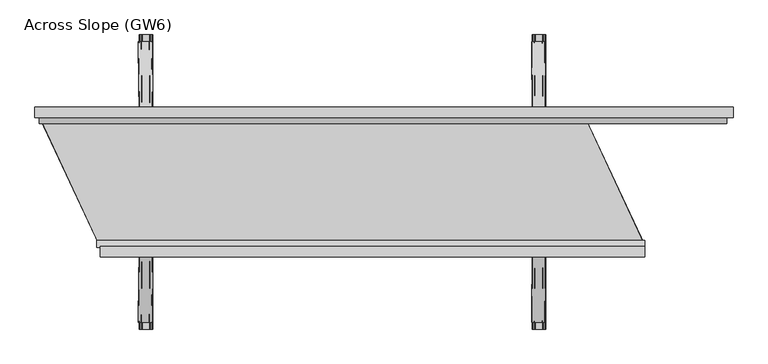
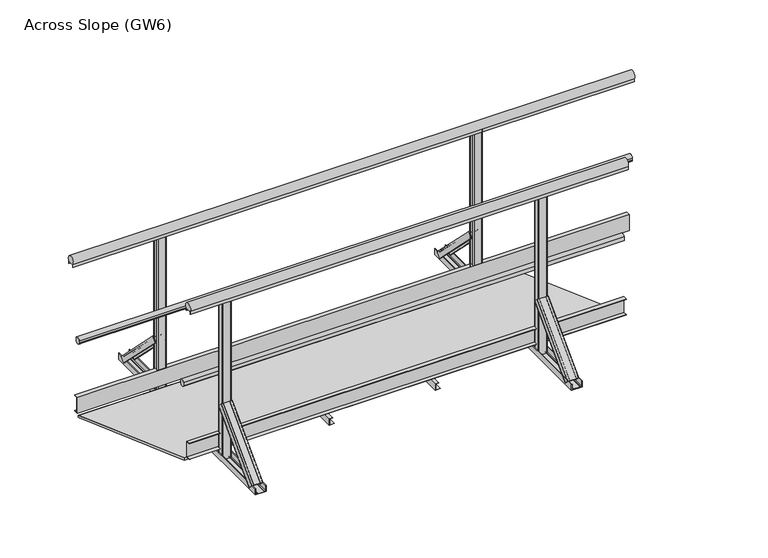
"""IFC4 building model written with IfcOpenShell, lengths in millimetres: proxy geometry, Across Slope (GW6)."""

from ifc_helpers import new_model, si_unit, point, frame, frame_2d, origin, origin_with_axes, place, context, project, spatial, polyline, circle_curve, trimmed, segment, composite_curve, outline, extrude, source, transform, mapped, element, save
from ifc_brep_helpers import plane_surface, extruded_surface, advanced_brep


def across_slope_gw6_5d8b17d4(model_context):
    return source(origin(), model_context, "Body", "SolidModel", [
        extrude(outline(polyline([(-34.5, 63.0), (-34.5, 66.0), (-12.5, 66.0), (-12.5, 160.0), (-34.5, 160.0), (-34.5, 163.0), (-9.5, 163.0), (-9.5, 63.0), (-34.5, 63.0)])), frame((288.6034865, 0.0, 0.0), z_axis=(1.0, 0.0, 0.0), x_axis=(0.0, 1.0, 0.0)), (0.0, 0.0, 1.0), 2582.9381096),
        extrude(outline(composite_curve([segment(polyline([(-10.5, 1001.43534), (-10.5, 983.0), (-11.5, 983.0), (-11.5, 998.0), (-51.5, 998.0), (-51.5, 983.0), (-52.5, 983.0), (-52.5, 1001.43534)]), True, "CONTINUOUS"), segment(trimmed(circle_curve(frame_2d((-31.5, 1015.0)), 25.0), [point((-52.5, 1001.43534))], [point((-10.5, 1001.43534))], False, "CARTESIAN"), True, "CONTINUOUS")], self_intersect=False)), frame((285.0, 0.0, 0.0), z_axis=(1.0, 0.0, 0.0), x_axis=(0.0, 1.0, 0.0)), (0.0, 0.0, 1.0), 2587.9381096),
        extrude(outline(composite_curve([segment(trimmed(circle_curve(frame_2d((3.212495, 528.0)), 20.0), [point((21.8, 520.617273))], [point((-12.5, 515.6259343))], False, "CARTESIAN"), True, "CONTINUOUS"), segment(polyline([(-12.5, 515.6259343), (-12.5, 540.3740657)]), True, "CONTINUOUS"), segment(trimmed(circle_curve(frame_2d((3.212495, 528.0)), 20.0), [point((-12.5, 540.3740657))], [point((21.8, 535.382727))], False, "CARTESIAN"), True, "CONTINUOUS"), segment(polyline([(21.8, 535.382727), (17.8, 535.382727), (17.8, 520.617273), (21.8, 520.617273)]), True, "CONTINUOUS")], self_intersect=False)), frame((270.0, 0.0, 0.0), z_axis=(1.0, 0.0, 0.0), x_axis=(0.0, 1.0, 0.0)), (0.0, 0.0, 1.0), 2602.9381096),
        extrude(outline(polyline([(634.5, 63.0), (609.5, 63.0), (609.5, 163.0), (634.5, 163.0), (634.5, 160.0), (612.5, 160.0), (612.5, 66.0), (634.5, 66.0), (634.5, 63.0)])), frame((0.0, 0.0, 0.0), z_axis=(1.0, 0.0, 0.0), x_axis=(0.0, 1.0, 0.0)), (0.0, 0.0, 1.0), 3262.9381096),
        extrude(outline(composite_curve([segment(polyline([(578.2, 520.617273), (582.2, 520.617273), (582.2, 535.382727), (578.2, 535.382727)]), True, "CONTINUOUS"), segment(trimmed(circle_curve(frame_2d((596.787505, 528.0)), 20.0), [point((578.2, 535.382727))], [point((612.5, 540.3740657))], False, "CARTESIAN"), True, "CONTINUOUS"), segment(polyline([(612.5, 540.3740657), (612.5, 515.6259343)]), True, "CONTINUOUS"), segment(trimmed(circle_curve(frame_2d((596.787505, 528.0)), 20.0), [point((612.5, 515.6259343))], [point((578.2, 520.617273))], False, "CARTESIAN"), True, "CONTINUOUS")], self_intersect=False)), frame((-5.0, 0.0, 0.0), z_axis=(1.0, 0.0, 0.0), x_axis=(0.0, 1.0, 0.0)), (0.0, 0.0, 1.0), 3267.9381096),
        extrude(outline(composite_curve([segment(polyline([(652.5, 1001.43534), (652.5, 983.0), (651.5, 983.0), (651.5, 998.0), (611.5, 998.0), (611.5, 983.0), (610.5, 983.0), (610.5, 1001.43534)]), True, "CONTINUOUS"), segment(trimmed(circle_curve(frame_2d((631.5, 1015.0)), 25.0), [point((610.5, 1001.43534))], [point((652.5, 1001.43534))], False, "CARTESIAN"), True, "CONTINUOUS")], self_intersect=False)), frame((-25.0, 0.0, 0.0), z_axis=(1.0, 0.0, 0.0), x_axis=(0.0, 1.0, 0.0)), (0.0, 0.0, 1.0), 3317.9381096),
        extrude(outline(polyline([(0.0, 1764.292073), (2.0, 1764.292073), (2.0, 1736.292073), (38.0, 1736.292073), (38.0, 1754.292073), (40.0, 1754.292073), (40.0, 1734.292073), (0.0, 1734.292073), (0.0, 1764.292073)])), frame((0.0, -50.0, 0.0), z_axis=(0.0, 1.0, 0.0), x_axis=(0.0, 0.0, 1.0)), (0.0, 0.0, 1.0), 700.0),
        extrude(outline(polyline([(0.0, 1138.6460365), (2.0, 1138.6460365), (2.0, 1110.6460365), (38.0, 1110.6460365), (38.0, 1128.6460365), (40.0, 1128.6460365), (40.0, 1108.6460365), (0.0, 1108.6460365), (0.0, 1138.6460365)])), frame((0.0, -50.0, 0.0), z_axis=(0.0, 1.0, 0.0), x_axis=(0.0, 0.0, 1.0)), (0.0, 0.0, 1.0), 700.0),
        advanced_brep(
        [(2399.9381096, -368.6980515, 38.0), (2334.9381096, -368.6980515, 38.0), (2334.9381096, -342.888654, 12.1906025), (2337.9381096, -342.888654, 12.1906025), (2337.9381096, -366.5767312, 35.8786797), (2347.9381096, -366.5767312, 35.8786797), (2347.9381096, -364.8089642, 34.1109127), (2348.9381096, -364.8089642, 34.1109127), (2348.9381096, -366.5767312, 35.8786797), (2385.9381096, -366.5767312, 35.8786797), (2385.9381096, -364.8089642, 34.1109127), (2386.9381096, -364.8089642, 34.1109127), (2386.9381096, -366.5767312, 35.8786797), (2396.9381096, -366.5767312, 35.8786797), (2396.9381096, -342.888654, 12.1906025), (2399.9381096, -342.888654, 12.1906025), (2402.9381096, -50.5, 356.1980516), (2402.9381096, -24.6906025, 330.3886541), (2399.9381096, -24.6906025, 330.3886541), (2399.9381096, -48.3786797, 354.0767312), (2389.9381096, -48.3786797, 354.0767312), (2389.9381096, -46.6109127, 352.3089643), (2388.9381096, -46.6109127, 352.3089643), (2388.9381096, -48.3786797, 354.0767312), (2351.9381096, -48.3786797, 354.0767312), (2351.9381096, -46.6109127, 352.3089643), (2350.9381096, -46.6109127, 352.3089643), (2350.9381096, -48.3786797, 354.0767312), (2340.9381096, -48.3786797, 354.0767312), (2340.9381096, -24.6906025, 330.3886541), (2337.9381096, -24.6906025, 330.3886541), (2337.9381096, -50.5, 356.1980516)],
        [
            (0, 1),
            (1, 2),
            (2, 3, circle_curve(frame((2336.4381096, -342.888654, 12.1906025), z_axis=(0.0, -0.7071067811865506, -0.7071067811865446), x_axis=(0.0, -0.7071067811865446, 0.7071067811865506)), 1.5)),
            (3, 4),
            (4, 5),
            (5, 6),
            (6, 7, circle_curve(frame((2348.4381096, -364.8089642, 34.1109127), z_axis=(0.0, -0.7071067811865506, -0.7071067811865446), x_axis=(0.0, -0.7071067811865446, 0.7071067811865506)), 0.5)),
            (7, 8),
            (8, 9),
            (9, 10),
            (10, 11, circle_curve(frame((2386.4381096, -364.8089642, 34.1109127), z_axis=(0.0, -0.7071067811865506, -0.7071067811865446), x_axis=(0.0, -0.7071067811865446, 0.7071067811865506)), 0.5)),
            (11, 12),
            (12, 13),
            (13, 14),
            (14, 15, circle_curve(frame((2398.4381096, -342.888654, 12.1906025), z_axis=(0.0, -0.7071067811865506, -0.7071067811865446), x_axis=(0.0, -0.7071067811865446, 0.7071067811865506)), 1.5)),
            (15, 0),
            (16, 17),
            (17, 18, circle_curve(frame((2401.4381096, -24.6906025, 330.3886541), z_axis=(0.0, 0.7071067811865506, 0.7071067811865446), x_axis=(0.0, -0.7071067811865446, 0.7071067811865506)), 1.5)),
            (18, 19),
            (19, 20),
            (20, 21),
            (21, 22, circle_curve(frame((2389.4381096, -46.6109127, 352.3089643), z_axis=(0.0, 0.7071067811865506, 0.7071067811865446), x_axis=(0.0, -0.7071067811865446, 0.7071067811865506)), 0.5)),
            (22, 23),
            (23, 24),
            (24, 25),
            (25, 26, circle_curve(frame((2351.4381096, -46.6109127, 352.3089643), z_axis=(0.0, 0.7071067811865506, 0.7071067811865446), x_axis=(0.0, -0.7071067811865446, 0.7071067811865506)), 0.5)),
            (26, 27),
            (27, 28),
            (28, 29),
            (29, 30, circle_curve(frame((2339.4381096, -24.6906025, 330.3886541), z_axis=(0.0, 0.7071067811865506, 0.7071067811865446), x_axis=(0.0, -0.7071067811865446, 0.7071067811865506)), 1.5)),
            (30, 31),
            (31, 16),
            (16, 0),
            (15, 17),
            (14, 18),
            (13, 19),
            (12, 20),
            (11, 21),
            (10, 22),
            (9, 23),
            (8, 24),
            (7, 25),
            (6, 26),
            (5, 27),
            (4, 28),
            (3, 29),
            (2, 30),
            (1, 31),
        ],
        [
            plane_surface(frame((2367.4381096, -360.4779352, 29.7798837), z_axis=(0.0, -0.7071067811865502, -0.7071067811865449), x_axis=(0.0, 0.7071067811865449, -0.7071067811865502))),
            plane_surface(frame((2370.4381096, -42.2798837, 347.9779352), z_axis=(0.0, 0.7071067811865505, 0.7071067811865447), x_axis=(0.0, 0.7071067811865447, -0.7071067811865505))),
            plane_surface(frame((2402.9381096, -37.5953012, 343.2933528), z_axis=(0.9999777785184913, -0.004713940454838276, -0.004713940454838116), x_axis=(0.0, 0.7071067811865449, -0.7071067811865502))),
            extruded_surface(trimmed(circle_curve(frame((2398.4381096, -342.888654, 12.1906025), z_axis=(0.0, 0.7071067811865506, 0.7071067811865446), x_axis=(0.0, -0.7071067811865446, 0.7071067811865506)), 1.5), [point((2399.9381096, -342.888654, 12.1906025))], [point((2396.9381096, -342.888654, 12.1906025))], True, "CARTESIAN"), (3.0, 318.19805149999996, 318.1980516), 450.00999991159404),
            plane_surface(frame((2399.9381096, -36.5346411, 342.2326926), z_axis=(-0.9999777785184911, 0.004713940454837886, 0.00471394045483772), x_axis=(0.0, -0.7071067811865445, 0.7071067811865506))),
            plane_surface(frame((2394.9381096, -48.3786797, 354.0767312), z_axis=(0.0, 0.7071067811865455, -0.7071067811865496), x_axis=(-1.0, 0.0, 0.0))),
            plane_surface(frame((2389.9381096, -47.4947962, 353.1928478), z_axis=(0.9999777785184913, -0.004713940454838199, -0.0047139404548380325), x_axis=(0.0, 0.7071067811865445, -0.7071067811865507))),
            extruded_surface(trimmed(circle_curve(frame((2386.4381096, -364.8089642, 34.1109127), z_axis=(0.0, 0.7071067811865506, 0.7071067811865446), x_axis=(0.0, -0.7071067811865446, 0.7071067811865506)), 0.5), [point((2386.9381096, -364.8089642, 34.1109127))], [point((2385.9381096, -364.8089642, 34.1109127))], True, "CARTESIAN"), (3.0, 318.1980515, 318.1980516), 450.0099999115941),
            plane_surface(frame((2388.9381096, -47.4947962, 353.1928478), z_axis=(-0.9999777785184912, 0.004713940454838169, 0.0047139404548381045), x_axis=(0.0, -0.7071067811865521, 0.707106781186543))),
            plane_surface(frame((2370.4381096, -48.3786797, 354.0767312), z_axis=(0.0, 0.7071067811865461, -0.7071067811865491), x_axis=(-1.0, 0.0, 0.0))),
            plane_surface(frame((2351.9381096, -47.4947962, 353.1928478), z_axis=(0.9999777785184911, -0.004713940454838164, -0.004713940454837987), x_axis=(0.0, 0.7071067811865436, -0.7071067811865515))),
            extruded_surface(trimmed(circle_curve(frame((2348.4381096, -364.8089642, 34.1109127), z_axis=(0.0, 0.7071067811865506, 0.7071067811865446), x_axis=(0.0, -0.7071067811865446, 0.7071067811865506)), 0.5), [point((2348.9381096, -364.8089642, 34.1109127))], [point((2347.9381096, -364.8089642, 34.1109127))], True, "CARTESIAN"), (3.0, 318.1980515, 318.1980516), 450.0099999115941),
            plane_surface(frame((2350.9381096, -47.4947962, 353.1928478), z_axis=(-0.9999777785184913, 0.004713940454838203, 0.004713940454838003), x_axis=(0.0, -0.7071067811865419, 0.7071067811865532))),
            plane_surface(frame((2345.9381096, -48.3786797, 354.0767312), z_axis=(0.0, 0.7071067811865461, -0.7071067811865491), x_axis=(-1.0, 0.0, 0.0))),
            plane_surface(frame((2340.9381096, -36.5346411, 342.2326926), z_axis=(0.9999777785184911, -0.004713940454838192, -0.004713940454838038), x_axis=(0.0, 0.7071067811865454, -0.7071067811865497))),
            extruded_surface(trimmed(circle_curve(frame((2336.4381096, -342.888654, 12.1906025), z_axis=(0.0, 0.7071067811865506, 0.7071067811865446), x_axis=(0.0, -0.7071067811865446, 0.7071067811865506)), 1.5), [point((2337.9381096, -342.888654, 12.1906025))], [point((2334.9381096, -342.888654, 12.1906025))], True, "CARTESIAN"), (3.0, 318.19805149999996, 318.1980516), 450.00999991159404),
            plane_surface(frame((2337.9381096, -37.5953012, 343.2933528), z_axis=(-0.9999777785184911, 0.00471394045483825, 0.004713940454838091), x_axis=(0.0, -0.7071067811865449, 0.7071067811865501))),
            plane_surface(frame((2370.4381096, -50.5, 356.1980516), z_axis=(0.0, -0.7071067811865455, 0.7071067811865497), x_axis=(1.0, 0.0, 0.0))),
        ],
        [
            (0, [[1, 2, 3, 4, 5, 6, 7, 8, 9, 10, 11, 12, 13, 14, 15, 16]]),
            (1, [[17, 18, 19, 20, 21, 22, 23, 24, 25, 26, 27, 28, 29, 30, 31, 32]]),
            (2, [[33, -16, 34, -17]]),
            (3, [[-34, -15, 35, -18]]),
            (4, [[-35, -14, 36, -19]]),
            (5, [[-36, -13, 37, -20]]),
            (6, [[-37, -12, 38, -21]]),
            (7, [[-38, -11, 39, -22]]),
            (8, [[-39, -10, 40, -23]]),
            (9, [[-40, -9, 41, -24]]),
            (10, [[-41, -8, 42, -25]]),
            (11, [[-42, -7, 43, -26]]),
            (12, [[-43, -6, 44, -27]]),
            (13, [[-44, -5, 45, -28]]),
            (14, [[-45, -4, 46, -29]]),
            (15, [[-46, -3, 47, -30]]),
            (16, [[-47, -2, 48, -31]]),
            (17, [[-48, -1, -33, -32]]),
        ],
    ),
        extrude(outline(composite_curve([segment(polyline([(2393.4381096, -50.5), (2347.4381096, -50.5)]), True, "CONTINUOUS"), segment(trimmed(circle_curve(frame_2d((2347.4381096, -45.5)), 5.0), [point((2347.4381096, -50.5))], [point((2342.4381096, -45.5))], False, "CARTESIAN"), True, "CONTINUOUS"), segment(polyline([(2342.4381096, -45.5), (2342.4381096, -17.5)]), True, "CONTINUOUS"), segment(trimmed(circle_curve(frame_2d((2347.4381096, -17.5)), 5.0), [point((2342.4381096, -17.5))], [point((2347.4381096, -12.5))], False, "CARTESIAN"), True, "CONTINUOUS"), segment(polyline([(2347.4381096, -12.5), (2393.4381096, -12.5)]), True, "CONTINUOUS"), segment(trimmed(circle_curve(frame_2d((2393.4381096, -17.5)), 5.0), [point((2393.4381096, -12.5))], [point((2398.4381096, -17.5))], False, "CARTESIAN"), True, "CONTINUOUS"), segment(polyline([(2398.4381096, -17.5), (2398.4381096, -45.5)]), True, "CONTINUOUS"), segment(trimmed(circle_curve(frame_2d((2393.4381096, -45.5)), 5.0), [point((2398.4381096, -45.5))], [point((2393.4381096, -50.5))], False, "CARTESIAN"), True, "CONTINUOUS")], self_intersect=False)), origin_with_axes(), (0.0, 0.0, 1.0), 998.0),
        extrude(outline(composite_curve([segment(polyline([(2393.4381096, 612.5), (2347.4381096, 612.5)]), True, "CONTINUOUS"), segment(trimmed(circle_curve(frame_2d((2347.4381096, 617.5)), 5.0), [point((2347.4381096, 612.5))], [point((2342.4381096, 617.5))], False, "CARTESIAN"), True, "CONTINUOUS"), segment(polyline([(2342.4381096, 617.5), (2342.4381096, 645.5)]), True, "CONTINUOUS"), segment(trimmed(circle_curve(frame_2d((2347.4381096, 645.5)), 5.0), [point((2342.4381096, 645.5))], [point((2347.4381096, 650.5))], False, "CARTESIAN"), True, "CONTINUOUS"), segment(polyline([(2347.4381096, 650.5), (2393.4381096, 650.5)]), True, "CONTINUOUS"), segment(trimmed(circle_curve(frame_2d((2393.4381096, 645.5)), 5.0), [point((2393.4381096, 650.5))], [point((2398.4381096, 645.5))], False, "CARTESIAN"), True, "CONTINUOUS"), segment(polyline([(2398.4381096, 645.5), (2398.4381096, 617.5)]), True, "CONTINUOUS"), segment(trimmed(circle_curve(frame_2d((2393.4381096, 617.5)), 5.0), [point((2398.4381096, 617.5))], [point((2393.4381096, 612.5))], False, "CARTESIAN"), True, "CONTINUOUS")], self_intersect=False)), origin_with_axes(), (0.0, 0.0, 1.0), 998.0),
        advanced_brep(
        [(2334.9381096, 968.7087394, 38.0), (2399.9381096, 968.7087394, 38.0), (2399.9381096, 942.8993419, 12.1906025), (2396.9381096, 942.8993419, 12.1906025), (2396.9381096, 966.5874191, 35.8786797), (2386.9381096, 966.5874191, 35.8786797), (2386.9381096, 964.8196521, 34.1109127), (2385.9381096, 964.8196521, 34.1109127), (2385.9381096, 966.5874191, 35.8786797), (2348.9381096, 966.5874191, 35.8786797), (2348.9381096, 964.8196521, 34.1109127), (2347.9381096, 964.8196521, 34.1109127), (2347.9381096, 966.5874191, 35.8786797), (2337.9381096, 966.5874191, 35.8786797), (2337.9381096, 942.8993419, 12.1906025), (2334.9381096, 942.8993419, 12.1906025), (2337.9381096, 650.5106879, 356.1980516), (2337.9381096, 624.7012904, 330.3886541), (2340.9381096, 624.7012904, 330.3886541), (2340.9381096, 648.3893676, 354.0767312), (2350.9381096, 648.3893676, 354.0767312), (2350.9381096, 646.6216006, 352.3089643), (2351.9381096, 646.6216006, 352.3089643), (2351.9381096, 648.3893676, 354.0767312), (2388.9381096, 648.3893676, 354.0767312), (2388.9381096, 646.6216006, 352.3089643), (2389.9381096, 646.6216006, 352.3089643), (2389.9381096, 648.3893676, 354.0767312), (2399.9381096, 648.3893676, 354.0767312), (2399.9381096, 624.7012904, 330.3886541), (2402.9381096, 624.7012904, 330.3886541), (2402.9381096, 650.5106879, 356.1980516)],
        [
            (0, 1),
            (1, 2),
            (2, 3, circle_curve(frame((2398.4381096, 942.8993419, 12.1906025), z_axis=(0.0, 0.7071067811865432, -0.7071067811865519), x_axis=(0.0, -0.7071067811865519, -0.7071067811865432)), 1.5)),
            (3, 4),
            (4, 5),
            (5, 6),
            (6, 7, circle_curve(frame((2386.4381096, 964.8196521, 34.1109127), z_axis=(0.0, 0.7071067811865432, -0.7071067811865519), x_axis=(0.0, -0.7071067811865519, -0.7071067811865432)), 0.5)),
            (7, 8),
            (8, 9),
            (9, 10),
            (10, 11, circle_curve(frame((2348.4381096, 964.8196521, 34.1109127), z_axis=(0.0, 0.7071067811865432, -0.7071067811865519), x_axis=(0.0, -0.7071067811865519, -0.7071067811865432)), 0.5)),
            (11, 12),
            (12, 13),
            (13, 14),
            (14, 15, circle_curve(frame((2336.4381096, 942.8993419, 12.1906025), z_axis=(0.0, 0.7071067811865432, -0.7071067811865519), x_axis=(0.0, -0.7071067811865519, -0.7071067811865432)), 1.5)),
            (15, 0),
            (16, 17),
            (17, 18, circle_curve(frame((2339.4381096, 624.7012904, 330.3886541), z_axis=(0.0, -0.7071067811865432, 0.7071067811865519), x_axis=(0.0, -0.7071067811865519, -0.7071067811865432)), 1.5)),
            (18, 19),
            (19, 20),
            (20, 21),
            (21, 22, circle_curve(frame((2351.4381096, 646.6216006, 352.3089643), z_axis=(0.0, -0.7071067811865432, 0.7071067811865519), x_axis=(0.0, -0.7071067811865519, -0.7071067811865432)), 0.5)),
            (22, 23),
            (23, 24),
            (24, 25),
            (25, 26, circle_curve(frame((2389.4381096, 646.6216006, 352.3089643), z_axis=(0.0, -0.7071067811865432, 0.7071067811865519), x_axis=(0.0, -0.7071067811865519, -0.7071067811865432)), 0.5)),
            (26, 27),
            (27, 28),
            (28, 29),
            (29, 30, circle_curve(frame((2401.4381096, 624.7012904, 330.3886541), z_axis=(0.0, -0.7071067811865432, 0.7071067811865519), x_axis=(0.0, -0.7071067811865519, -0.7071067811865432)), 1.5)),
            (30, 31),
            (31, 16),
            (16, 0),
            (15, 17),
            (14, 18),
            (13, 19),
            (12, 20),
            (11, 21),
            (10, 22),
            (9, 23),
            (8, 24),
            (7, 25),
            (6, 26),
            (5, 27),
            (4, 28),
            (3, 29),
            (2, 30),
            (1, 31),
        ],
        [
            plane_surface(frame((2367.4381096, 960.4886231, 29.7798837), z_axis=(0.0, 0.707106781186543, -0.7071067811865521), x_axis=(0.0, -0.7071067811865521, -0.707106781186543))),
            plane_surface(frame((2370.4381096, 642.2905716, 347.9779352), z_axis=(0.0, -0.7071067811865432, 0.7071067811865519), x_axis=(0.0, -0.7071067811865519, -0.7071067811865432))),
            plane_surface(frame((2337.9381096, 637.6059891, 343.2933528), z_axis=(-0.9999777785184912, -0.004713940454842057, 0.004713940454841993), x_axis=(0.0, -0.7071067811865521, -0.707106781186543))),
            extruded_surface(trimmed(circle_curve(frame((2336.4381096, 942.8993419, 12.1906025), z_axis=(0.0, -0.7071067811865432, 0.7071067811865519), x_axis=(0.0, -0.7071067811865519, -0.7071067811865432)), 1.5), [point((2334.9381096, 942.8993419, 12.1906025))], [point((2337.9381096, 942.8993419, 12.1906025))], True, "CARTESIAN"), (3.0, -318.1980515, 318.1980516), 450.0099999115941),
            plane_surface(frame((2340.9381096, 636.545329, 342.2326926), z_axis=(0.9999777785184912, 0.004713940454842057, -0.004713940454841993), x_axis=(0.0, 0.7071067811865521, 0.707106781186543))),
            plane_surface(frame((2345.9381096, 648.3893676, 354.0767312), z_axis=(0.0, -0.7071067811865525, -0.7071067811865427), x_axis=(1.0, 0.0, 0.0))),
            plane_surface(frame((2350.9381096, 647.5054841, 353.1928478), z_axis=(-0.9999777785184911, -0.004713940454842033, 0.004713940454842016), x_axis=(0.0, -0.7071067811865557, -0.7071067811865394))),
            extruded_surface(trimmed(circle_curve(frame((2348.4381096, 964.8196521, 34.1109127), z_axis=(0.0, -0.7071067811865432, 0.7071067811865519), x_axis=(0.0, -0.7071067811865519, -0.7071067811865432)), 0.5), [point((2347.9381096, 964.8196521, 34.1109127))], [point((2348.9381096, 964.8196521, 34.1109127))], True, "CARTESIAN"), (3.0, -318.1980515, 318.1980516), 450.0099999115941),
            plane_surface(frame((2351.9381096, 647.5054841, 353.1928478), z_axis=(0.9999777785184911, 0.004713940454842045, -0.004713940454842029), x_axis=(0.0, 0.7071067811865557, 0.7071067811865394))),
            plane_surface(frame((2370.4381096, 648.3893676, 354.0767312), z_axis=(0.0, -0.7071067811865525, -0.7071067811865427), x_axis=(1.0, 0.0, 0.0))),
            plane_surface(frame((2388.9381096, 647.5054841, 353.1928478), z_axis=(-0.9999777785184911, -0.004713940454842039, 0.004713940454842022), x_axis=(0.0, -0.7071067811865557, -0.7071067811865394))),
            extruded_surface(trimmed(circle_curve(frame((2386.4381096, 964.8196521, 34.1109127), z_axis=(0.0, -0.7071067811865432, 0.7071067811865519), x_axis=(0.0, -0.7071067811865519, -0.7071067811865432)), 0.5), [point((2385.9381096, 964.8196521, 34.1109127))], [point((2386.9381096, 964.8196521, 34.1109127))], True, "CARTESIAN"), (3.0, -318.1980515, 318.1980516), 450.0099999115941),
            plane_surface(frame((2389.9381096, 647.5054841, 353.1928478), z_axis=(0.9999777785184911, 0.004713940454842066, -0.004713940454841994), x_axis=(0.0, 0.7071067811865515, 0.7071067811865436))),
            plane_surface(frame((2394.9381096, 648.3893676, 354.0767312), z_axis=(0.0, -0.7071067811865522, -0.707106781186543), x_axis=(1.0, 0.0, 0.0))),
            plane_surface(frame((2399.9381096, 636.545329, 342.2326926), z_axis=(-0.9999777785184911, -0.004713940454842064, 0.004713940454841998), x_axis=(0.0, -0.707106781186552, -0.7071067811865431))),
            extruded_surface(trimmed(circle_curve(frame((2398.4381096, 942.8993419, 12.1906025), z_axis=(0.0, -0.7071067811865432, 0.7071067811865519), x_axis=(0.0, -0.7071067811865519, -0.7071067811865432)), 1.5), [point((2396.9381096, 942.8993419, 12.1906025))], [point((2399.9381096, 942.8993419, 12.1906025))], True, "CARTESIAN"), (3.0, -318.1980515, 318.1980516), 450.0099999115941),
            plane_surface(frame((2402.9381096, 637.6059891, 343.2933528), z_axis=(0.9999777785184913, 0.004713940454842066, -0.004713940454841998), x_axis=(0.0, 0.7071067811865519, 0.7071067811865432))),
            plane_surface(frame((2370.4381096, 650.5106879, 356.1980516), z_axis=(0.0, 0.7071067811865526, 0.7071067811865427), x_axis=(-1.0, 0.0, 0.0))),
        ],
        [
            (0, [[1, 2, 3, 4, 5, 6, 7, 8, 9, 10, 11, 12, 13, 14, 15, 16]]),
            (1, [[17, 18, 19, 20, 21, 22, 23, 24, 25, 26, 27, 28, 29, 30, 31, 32]]),
            (2, [[33, -16, 34, -17]]),
            (3, [[-34, -15, 35, -18]]),
            (4, [[-35, -14, 36, -19]]),
            (5, [[-36, -13, 37, -20]]),
            (6, [[-37, -12, 38, -21]]),
            (7, [[-38, -11, 39, -22]]),
            (8, [[-39, -10, 40, -23]]),
            (9, [[-40, -9, 41, -24]]),
            (10, [[-41, -8, 42, -25]]),
            (11, [[-42, -7, 43, -26]]),
            (12, [[-43, -6, 44, -27]]),
            (13, [[-44, -5, 45, -28]]),
            (14, [[-45, -4, 46, -29]]),
            (15, [[-46, -3, 47, -30]]),
            (16, [[-47, -2, 48, -31]]),
            (17, [[-48, -1, -33, -32]]),
        ],
    ),
        extrude(outline(composite_curve([segment(polyline([(0.0, 2337.9381096), (0.0, 2402.9381096), (36.5, 2402.9381096)]), True, "CONTINUOUS"), segment(trimmed(circle_curve(frame_2d((36.5, 2401.4381096)), 1.5), [point((36.5, 2402.9381096))], [point((36.5, 2399.9381096))], False, "CARTESIAN"), True, "CONTINUOUS"), segment(polyline([(36.5, 2399.9381096), (3.0, 2399.9381096), (3.0, 2389.9381096), (5.5, 2389.9381096)]), True, "CONTINUOUS"), segment(trimmed(circle_curve(frame_2d((5.5, 2389.4381096)), 0.5), [point((5.5, 2389.9381096))], [point((5.5, 2388.9381096))], False, "CARTESIAN"), True, "CONTINUOUS"), segment(polyline([(5.5, 2388.9381096), (3.0, 2388.9381096), (3.0, 2351.9381096), (5.5, 2351.9381096)]), True, "CONTINUOUS"), segment(trimmed(circle_curve(frame_2d((5.5, 2351.4381096)), 0.5), [point((5.5, 2351.9381096))], [point((5.5, 2350.9381096))], False, "CARTESIAN"), True, "CONTINUOUS"), segment(polyline([(5.5, 2350.9381096), (3.0, 2350.9381096), (3.0, 2340.9381096), (36.5, 2340.9381096)]), True, "CONTINUOUS"), segment(trimmed(circle_curve(frame_2d((36.5, 2339.4381096)), 1.5), [point((36.5, 2340.9381096))], [point((36.5, 2337.9381096))], False, "CARTESIAN"), True, "CONTINUOUS"), segment(polyline([(36.5, 2337.9381096), (0.0, 2337.9381096)]), True, "CONTINUOUS")], self_intersect=False)), frame((0.0, -400.0, 0.0), z_axis=(0.0, 1.0, 0.0), x_axis=(0.0, 0.0, 1.0)), (0.0, 0.0, 1.0), 1400.0),
        advanced_brep(
        [(532.0, -368.6980515, 38.0), (467.0, -368.6980515, 38.0), (467.0, -342.888654, 12.1906025), (470.0, -342.888654, 12.1906025), (470.0, -366.5767312, 35.8786797), (480.0, -366.5767312, 35.8786797), (480.0, -364.8089642, 34.1109127), (481.0, -364.8089642, 34.1109127), (481.0, -366.5767312, 35.8786797), (518.0, -366.5767312, 35.8786797), (518.0, -364.8089642, 34.1109127), (519.0, -364.8089642, 34.1109127), (519.0, -366.5767312, 35.8786797), (529.0, -366.5767312, 35.8786797), (529.0, -342.888654, 12.1906025), (532.0, -342.888654, 12.1906025), (535.0, -50.5, 356.1980515), (535.0, -24.6906025, 330.388654), (532.0, -24.6906025, 330.388654), (532.0, -48.3786797, 354.0767312), (522.0, -48.3786797, 354.0767312), (522.0, -46.6109127, 352.3089642), (521.0, -46.6109127, 352.3089642), (521.0, -48.3786797, 354.0767312), (484.0, -48.3786797, 354.0767312), (484.0, -46.6109127, 352.3089642), (483.0, -46.6109127, 352.3089642), (483.0, -48.3786797, 354.0767312), (473.0, -48.3786797, 354.0767312), (473.0, -24.6906025, 330.388654), (470.0, -24.6906025, 330.388654), (470.0, -50.5, 356.1980515)],
        [
            (0, 1),
            (1, 2),
            (2, 3, circle_curve(frame((468.5, -342.888654, 12.1906025), z_axis=(0.0, -0.7071067811865506, -0.7071067811865446), x_axis=(0.0, -0.7071067811865446, 0.7071067811865506)), 1.5)),
            (3, 4),
            (4, 5),
            (5, 6),
            (6, 7, circle_curve(frame((480.5, -364.8089642, 34.1109127), z_axis=(0.0, -0.7071067811865506, -0.7071067811865446), x_axis=(0.0, -0.7071067811865446, 0.7071067811865506)), 0.5)),
            (7, 8),
            (8, 9),
            (9, 10),
            (10, 11, circle_curve(frame((518.5, -364.8089642, 34.1109127), z_axis=(0.0, -0.7071067811865506, -0.7071067811865446), x_axis=(0.0, -0.7071067811865446, 0.7071067811865506)), 0.5)),
            (11, 12),
            (12, 13),
            (13, 14),
            (14, 15, circle_curve(frame((530.5, -342.888654, 12.1906025), z_axis=(0.0, -0.7071067811865506, -0.7071067811865446), x_axis=(0.0, -0.7071067811865446, 0.7071067811865506)), 1.5)),
            (15, 0),
            (16, 17),
            (17, 18, circle_curve(frame((533.5, -24.6906025, 330.388654), z_axis=(0.0, 0.7071067811865506, 0.7071067811865446), x_axis=(0.0, -0.7071067811865446, 0.7071067811865506)), 1.5)),
            (18, 19),
            (19, 20),
            (20, 21),
            (21, 22, circle_curve(frame((521.5, -46.6109127, 352.3089642), z_axis=(0.0, 0.7071067811865506, 0.7071067811865446), x_axis=(0.0, -0.7071067811865446, 0.7071067811865506)), 0.5)),
            (22, 23),
            (23, 24),
            (24, 25),
            (25, 26, circle_curve(frame((483.5, -46.6109127, 352.3089642), z_axis=(0.0, 0.7071067811865506, 0.7071067811865446), x_axis=(0.0, -0.7071067811865446, 0.7071067811865506)), 0.5)),
            (26, 27),
            (27, 28),
            (28, 29),
            (29, 30, circle_curve(frame((471.5, -24.6906025, 330.388654), z_axis=(0.0, 0.7071067811865506, 0.7071067811865446), x_axis=(0.0, -0.7071067811865446, 0.7071067811865506)), 1.5)),
            (30, 31),
            (31, 16),
            (16, 0),
            (15, 17),
            (14, 18),
            (13, 19),
            (12, 20),
            (11, 21),
            (10, 22),
            (9, 23),
            (8, 24),
            (7, 25),
            (6, 26),
            (5, 27),
            (4, 28),
            (3, 29),
            (2, 30),
            (1, 31),
        ],
        [
            plane_surface(frame((499.5, -360.4779352, 29.7798837), z_axis=(0.0, -0.7071067811865502, -0.7071067811865449), x_axis=(0.0, 0.7071067811865449, -0.7071067811865502))),
            plane_surface(frame((502.5, -42.2798837, 347.9779352), z_axis=(0.0, 0.7071067811865505, 0.7071067811865447), x_axis=(0.0, 0.7071067811865447, -0.7071067811865505))),
            plane_surface(frame((535.0, -37.5953012, 343.2933528), z_axis=(0.9999777785184913, -0.004713940454838276, -0.004713940454838116), x_axis=(0.0, 0.7071067811865449, -0.7071067811865502))),
            extruded_surface(trimmed(circle_curve(frame((530.5, -342.888654, 12.1906025), z_axis=(0.0, 0.7071067811865506, 0.7071067811865446), x_axis=(0.0, -0.7071067811865446, 0.7071067811865506)), 1.5), [point((532.0, -342.888654, 12.1906025))], [point((529.0, -342.888654, 12.1906025))], True, "CARTESIAN"), (3.0, 318.19805149999996, 318.19805149999996), 450.009999840885),
            plane_surface(frame((532.0, -36.5346411, 342.2326926), z_axis=(-0.9999777785184911, 0.004713940454837886, 0.00471394045483772), x_axis=(0.0, -0.7071067811865445, 0.7071067811865506))),
            plane_surface(frame((527.0, -48.3786797, 354.0767312), z_axis=(0.0, 0.7071067811865455, -0.7071067811865496), x_axis=(-1.0, 0.0, 0.0))),
            plane_surface(frame((522.0, -47.4947962, 353.1928477), z_axis=(0.9999777785184913, -0.004713940454838199, -0.0047139404548380325), x_axis=(0.0, 0.7071067811865445, -0.7071067811865507))),
            extruded_surface(trimmed(circle_curve(frame((518.5, -364.8089642, 34.1109127), z_axis=(0.0, 0.7071067811865506, 0.7071067811865446), x_axis=(0.0, -0.7071067811865446, 0.7071067811865506)), 0.5), [point((519.0, -364.8089642, 34.1109127))], [point((518.0, -364.8089642, 34.1109127))], True, "CARTESIAN"), (3.0, 318.1980515, 318.1980515), 450.00999984088503),
            plane_surface(frame((521.0, -47.4947962, 353.1928477), z_axis=(-0.9999777785184912, 0.004713940454838169, 0.0047139404548381045), x_axis=(0.0, -0.7071067811865521, 0.707106781186543))),
            plane_surface(frame((502.5, -48.3786797, 354.0767312), z_axis=(0.0, 0.7071067811865461, -0.7071067811865491), x_axis=(-1.0, 0.0, 0.0))),
            plane_surface(frame((484.0, -47.4947962, 353.1928477), z_axis=(0.9999777785184911, -0.004713940454838164, -0.004713940454837987), x_axis=(0.0, 0.7071067811865436, -0.7071067811865515))),
            extruded_surface(trimmed(circle_curve(frame((480.5, -364.8089642, 34.1109127), z_axis=(0.0, 0.7071067811865506, 0.7071067811865446), x_axis=(0.0, -0.7071067811865446, 0.7071067811865506)), 0.5), [point((481.0, -364.8089642, 34.1109127))], [point((480.0, -364.8089642, 34.1109127))], True, "CARTESIAN"), (3.0, 318.1980515, 318.1980515), 450.00999984088503),
            plane_surface(frame((483.0, -47.4947962, 353.1928477), z_axis=(-0.9999777785184913, 0.004713940454838203, 0.004713940454838003), x_axis=(0.0, -0.7071067811865419, 0.7071067811865532))),
            plane_surface(frame((478.0, -48.3786797, 354.0767312), z_axis=(0.0, 0.7071067811865461, -0.7071067811865491), x_axis=(-1.0, 0.0, 0.0))),
            plane_surface(frame((473.0, -36.5346411, 342.2326926), z_axis=(0.9999777785184911, -0.004713940454838192, -0.004713940454838038), x_axis=(0.0, 0.7071067811865454, -0.7071067811865497))),
            extruded_surface(trimmed(circle_curve(frame((468.5, -342.888654, 12.1906025), z_axis=(0.0, 0.7071067811865506, 0.7071067811865446), x_axis=(0.0, -0.7071067811865446, 0.7071067811865506)), 1.5), [point((470.0, -342.888654, 12.1906025))], [point((467.0, -342.888654, 12.1906025))], True, "CARTESIAN"), (3.0, 318.19805149999996, 318.19805149999996), 450.009999840885),
            plane_surface(frame((470.0, -37.5953012, 343.2933528), z_axis=(-0.9999777785184911, 0.00471394045483825, 0.004713940454838091), x_axis=(0.0, -0.7071067811865449, 0.7071067811865501))),
            plane_surface(frame((502.5, -50.5, 356.1980515), z_axis=(0.0, -0.7071067811865455, 0.7071067811865497), x_axis=(1.0, 0.0, 0.0))),
        ],
        [
            (0, [[1, 2, 3, 4, 5, 6, 7, 8, 9, 10, 11, 12, 13, 14, 15, 16]]),
            (1, [[17, 18, 19, 20, 21, 22, 23, 24, 25, 26, 27, 28, 29, 30, 31, 32]]),
            (2, [[33, -16, 34, -17]]),
            (3, [[-34, -15, 35, -18]]),
            (4, [[-35, -14, 36, -19]]),
            (5, [[-36, -13, 37, -20]]),
            (6, [[-37, -12, 38, -21]]),
            (7, [[-38, -11, 39, -22]]),
            (8, [[-39, -10, 40, -23]]),
            (9, [[-40, -9, 41, -24]]),
            (10, [[-41, -8, 42, -25]]),
            (11, [[-42, -7, 43, -26]]),
            (12, [[-43, -6, 44, -27]]),
            (13, [[-44, -5, 45, -28]]),
            (14, [[-45, -4, 46, -29]]),
            (15, [[-46, -3, 47, -30]]),
            (16, [[-47, -2, 48, -31]]),
            (17, [[-48, -1, -33, -32]]),
        ],
    ),
        extrude(outline(composite_curve([segment(polyline([(525.5, -50.5), (479.5, -50.5)]), True, "CONTINUOUS"), segment(trimmed(circle_curve(frame_2d((479.5, -45.5)), 5.0), [point((479.5, -50.5))], [point((474.5, -45.5))], False, "CARTESIAN"), True, "CONTINUOUS"), segment(polyline([(474.5, -45.5), (474.5, -17.5)]), True, "CONTINUOUS"), segment(trimmed(circle_curve(frame_2d((479.5, -17.5)), 5.0), [point((474.5, -17.5))], [point((479.5, -12.5))], False, "CARTESIAN"), True, "CONTINUOUS"), segment(polyline([(479.5, -12.5), (525.5, -12.5)]), True, "CONTINUOUS"), segment(trimmed(circle_curve(frame_2d((525.5, -17.5)), 5.0), [point((525.5, -12.5))], [point((530.5, -17.5))], False, "CARTESIAN"), True, "CONTINUOUS"), segment(polyline([(530.5, -17.5), (530.5, -45.5)]), True, "CONTINUOUS"), segment(trimmed(circle_curve(frame_2d((525.5, -45.5)), 5.0), [point((530.5, -45.5))], [point((525.5, -50.5))], False, "CARTESIAN"), True, "CONTINUOUS")], self_intersect=False)), origin_with_axes(), (0.0, 0.0, 1.0), 998.0),
        extrude(outline(composite_curve([segment(polyline([(525.5, 612.5), (479.5, 612.5)]), True, "CONTINUOUS"), segment(trimmed(circle_curve(frame_2d((479.5, 617.5)), 5.0), [point((479.5, 612.5))], [point((474.5, 617.5))], False, "CARTESIAN"), True, "CONTINUOUS"), segment(polyline([(474.5, 617.5), (474.5, 645.5)]), True, "CONTINUOUS"), segment(trimmed(circle_curve(frame_2d((479.5, 645.5)), 5.0), [point((474.5, 645.5))], [point((479.5, 650.5))], False, "CARTESIAN"), True, "CONTINUOUS"), segment(polyline([(479.5, 650.5), (525.5, 650.5)]), True, "CONTINUOUS"), segment(trimmed(circle_curve(frame_2d((525.5, 645.5)), 5.0), [point((525.5, 650.5))], [point((530.5, 645.5))], False, "CARTESIAN"), True, "CONTINUOUS"), segment(polyline([(530.5, 645.5), (530.5, 617.5)]), True, "CONTINUOUS"), segment(trimmed(circle_curve(frame_2d((525.5, 617.5)), 5.0), [point((530.5, 617.5))], [point((525.5, 612.5))], False, "CARTESIAN"), True, "CONTINUOUS")], self_intersect=False)), origin_with_axes(), (0.0, 0.0, 1.0), 998.0),
        advanced_brep(
        [(467.0, 968.7087394, 38.0), (532.0, 968.7087394, 38.0), (532.0, 942.8993419, 12.1906025), (529.0, 942.8993419, 12.1906025), (529.0, 966.5874191, 35.8786797), (519.0, 966.5874191, 35.8786797), (519.0, 964.8196521, 34.1109127), (518.0, 964.8196521, 34.1109127), (518.0, 966.5874191, 35.8786797), (481.0, 966.5874191, 35.8786797), (481.0, 964.8196521, 34.1109127), (480.0, 964.8196521, 34.1109127), (480.0, 966.5874191, 35.8786797), (470.0, 966.5874191, 35.8786797), (470.0, 942.8993419, 12.1906025), (467.0, 942.8993419, 12.1906025), (470.0, 650.5106879, 356.1980515), (470.0, 624.7012904, 330.388654), (473.0, 624.7012904, 330.388654), (473.0, 648.3893676, 354.0767312), (483.0, 648.3893676, 354.0767312), (483.0, 646.6216006, 352.3089642), (484.0, 646.6216006, 352.3089642), (484.0, 648.3893676, 354.0767312), (521.0, 648.3893676, 354.0767312), (521.0, 646.6216006, 352.3089642), (522.0, 646.6216006, 352.3089642), (522.0, 648.3893676, 354.0767312), (532.0, 648.3893676, 354.0767312), (532.0, 624.7012904, 330.388654), (535.0, 624.7012904, 330.388654), (535.0, 650.5106879, 356.1980515)],
        [
            (0, 1),
            (1, 2),
            (2, 3, circle_curve(frame((530.5, 942.8993419, 12.1906025), z_axis=(0.0, 0.7071067811865432, -0.7071067811865519), x_axis=(0.0, -0.7071067811865519, -0.7071067811865432)), 1.5)),
            (3, 4),
            (4, 5),
            (5, 6),
            (6, 7, circle_curve(frame((518.5, 964.8196521, 34.1109127), z_axis=(0.0, 0.7071067811865432, -0.7071067811865519), x_axis=(0.0, -0.7071067811865519, -0.7071067811865432)), 0.5)),
            (7, 8),
            (8, 9),
            (9, 10),
            (10, 11, circle_curve(frame((480.5, 964.8196521, 34.1109127), z_axis=(0.0, 0.7071067811865432, -0.7071067811865519), x_axis=(0.0, -0.7071067811865519, -0.7071067811865432)), 0.5)),
            (11, 12),
            (12, 13),
            (13, 14),
            (14, 15, circle_curve(frame((468.5, 942.8993419, 12.1906025), z_axis=(0.0, 0.7071067811865432, -0.7071067811865519), x_axis=(0.0, -0.7071067811865519, -0.7071067811865432)), 1.5)),
            (15, 0),
            (16, 17),
            (17, 18, circle_curve(frame((471.5, 624.7012904, 330.388654), z_axis=(0.0, -0.7071067811865432, 0.7071067811865519), x_axis=(0.0, -0.7071067811865519, -0.7071067811865432)), 1.5)),
            (18, 19),
            (19, 20),
            (20, 21),
            (21, 22, circle_curve(frame((483.5, 646.6216006, 352.3089642), z_axis=(0.0, -0.7071067811865432, 0.7071067811865519), x_axis=(0.0, -0.7071067811865519, -0.7071067811865432)), 0.5)),
            (22, 23),
            (23, 24),
            (24, 25),
            (25, 26, circle_curve(frame((521.5, 646.6216006, 352.3089642), z_axis=(0.0, -0.7071067811865432, 0.7071067811865519), x_axis=(0.0, -0.7071067811865519, -0.7071067811865432)), 0.5)),
            (26, 27),
            (27, 28),
            (28, 29),
            (29, 30, circle_curve(frame((533.5, 624.7012904, 330.388654), z_axis=(0.0, -0.7071067811865432, 0.7071067811865519), x_axis=(0.0, -0.7071067811865519, -0.7071067811865432)), 1.5)),
            (30, 31),
            (31, 16),
            (16, 0),
            (15, 17),
            (14, 18),
            (13, 19),
            (12, 20),
            (11, 21),
            (10, 22),
            (9, 23),
            (8, 24),
            (7, 25),
            (6, 26),
            (5, 27),
            (4, 28),
            (3, 29),
            (2, 30),
            (1, 31),
        ],
        [
            plane_surface(frame((499.5, 960.4886231, 29.7798837), z_axis=(0.0, 0.707106781186543, -0.7071067811865521), x_axis=(0.0, -0.7071067811865521, -0.707106781186543))),
            plane_surface(frame((502.5, 642.2905716, 347.9779352), z_axis=(0.0, -0.7071067811865432, 0.7071067811865519), x_axis=(0.0, -0.7071067811865519, -0.7071067811865432))),
            plane_surface(frame((470.0, 637.6059891, 343.2933528), z_axis=(-0.9999777785184912, -0.004713940454842057, 0.004713940454841993), x_axis=(0.0, -0.7071067811865521, -0.707106781186543))),
            extruded_surface(trimmed(circle_curve(frame((468.5, 942.8993419, 12.1906025), z_axis=(0.0, -0.7071067811865432, 0.7071067811865519), x_axis=(0.0, -0.7071067811865519, -0.7071067811865432)), 1.5), [point((467.0, 942.8993419, 12.1906025))], [point((470.0, 942.8993419, 12.1906025))], True, "CARTESIAN"), (3.0, -318.1980515, 318.19805149999996), 450.009999840885),
            plane_surface(frame((473.0, 636.545329, 342.2326926), z_axis=(0.9999777785184912, 0.004713940454842057, -0.004713940454841993), x_axis=(0.0, 0.7071067811865521, 0.707106781186543))),
            plane_surface(frame((478.0, 648.3893676, 354.0767312), z_axis=(0.0, -0.7071067811865525, -0.7071067811865427), x_axis=(1.0, 0.0, 0.0))),
            plane_surface(frame((483.0, 647.5054841, 353.1928477), z_axis=(-0.9999777785184911, -0.004713940454842033, 0.004713940454842016), x_axis=(0.0, -0.7071067811865557, -0.7071067811865394))),
            extruded_surface(trimmed(circle_curve(frame((480.5, 964.8196521, 34.1109127), z_axis=(0.0, -0.7071067811865432, 0.7071067811865519), x_axis=(0.0, -0.7071067811865519, -0.7071067811865432)), 0.5), [point((480.0, 964.8196521, 34.1109127))], [point((481.0, 964.8196521, 34.1109127))], True, "CARTESIAN"), (3.0, -318.1980515, 318.1980515), 450.00999984088503),
            plane_surface(frame((484.0, 647.5054841, 353.1928477), z_axis=(0.9999777785184911, 0.004713940454842045, -0.004713940454842029), x_axis=(0.0, 0.7071067811865557, 0.7071067811865394))),
            plane_surface(frame((502.5, 648.3893676, 354.0767312), z_axis=(0.0, -0.7071067811865525, -0.7071067811865427), x_axis=(1.0, 0.0, 0.0))),
            plane_surface(frame((521.0, 647.5054841, 353.1928477), z_axis=(-0.9999777785184911, -0.004713940454842039, 0.004713940454842022), x_axis=(0.0, -0.7071067811865557, -0.7071067811865394))),
            extruded_surface(trimmed(circle_curve(frame((518.5, 964.8196521, 34.1109127), z_axis=(0.0, -0.7071067811865432, 0.7071067811865519), x_axis=(0.0, -0.7071067811865519, -0.7071067811865432)), 0.5), [point((518.0, 964.8196521, 34.1109127))], [point((519.0, 964.8196521, 34.1109127))], True, "CARTESIAN"), (3.0, -318.1980515, 318.1980515), 450.00999984088503),
            plane_surface(frame((522.0, 647.5054841, 353.1928477), z_axis=(0.9999777785184911, 0.004713940454842066, -0.004713940454841994), x_axis=(0.0, 0.7071067811865515, 0.7071067811865436))),
            plane_surface(frame((527.0, 648.3893676, 354.0767312), z_axis=(0.0, -0.7071067811865522, -0.707106781186543), x_axis=(1.0, 0.0, 0.0))),
            plane_surface(frame((532.0, 636.545329, 342.2326926), z_axis=(-0.9999777785184911, -0.004713940454842064, 0.004713940454841998), x_axis=(0.0, -0.707106781186552, -0.7071067811865431))),
            extruded_surface(trimmed(circle_curve(frame((530.5, 942.8993419, 12.1906025), z_axis=(0.0, -0.7071067811865432, 0.7071067811865519), x_axis=(0.0, -0.7071067811865519, -0.7071067811865432)), 1.5), [point((529.0, 942.8993419, 12.1906025))], [point((532.0, 942.8993419, 12.1906025))], True, "CARTESIAN"), (3.0, -318.1980515, 318.19805149999996), 450.009999840885),
            plane_surface(frame((535.0, 637.6059891, 343.2933528), z_axis=(0.9999777785184913, 0.004713940454842066, -0.004713940454841998), x_axis=(0.0, 0.7071067811865519, 0.7071067811865432))),
            plane_surface(frame((502.5, 650.5106879, 356.1980515), z_axis=(0.0, 0.7071067811865526, 0.7071067811865427), x_axis=(-1.0, 0.0, 0.0))),
        ],
        [
            (0, [[1, 2, 3, 4, 5, 6, 7, 8, 9, 10, 11, 12, 13, 14, 15, 16]]),
            (1, [[17, 18, 19, 20, 21, 22, 23, 24, 25, 26, 27, 28, 29, 30, 31, 32]]),
            (2, [[33, -16, 34, -17]]),
            (3, [[-34, -15, 35, -18]]),
            (4, [[-35, -14, 36, -19]]),
            (5, [[-36, -13, 37, -20]]),
            (6, [[-37, -12, 38, -21]]),
            (7, [[-38, -11, 39, -22]]),
            (8, [[-39, -10, 40, -23]]),
            (9, [[-40, -9, 41, -24]]),
            (10, [[-41, -8, 42, -25]]),
            (11, [[-42, -7, 43, -26]]),
            (12, [[-43, -6, 44, -27]]),
            (13, [[-44, -5, 45, -28]]),
            (14, [[-45, -4, 46, -29]]),
            (15, [[-46, -3, 47, -30]]),
            (16, [[-47, -2, 48, -31]]),
            (17, [[-48, -1, -33, -32]]),
        ],
    ),
        extrude(outline(composite_curve([segment(polyline([(0.0, 470.0), (0.0, 535.0), (36.5, 535.0)]), True, "CONTINUOUS"), segment(trimmed(circle_curve(frame_2d((36.5, 533.5)), 1.5), [point((36.5, 535.0))], [point((36.5, 532.0))], False, "CARTESIAN"), True, "CONTINUOUS"), segment(polyline([(36.5, 532.0), (3.0, 532.0), (3.0, 522.0), (5.5, 522.0)]), True, "CONTINUOUS"), segment(trimmed(circle_curve(frame_2d((5.5, 521.5)), 0.5), [point((5.5, 522.0))], [point((5.5, 521.0))], False, "CARTESIAN"), True, "CONTINUOUS"), segment(polyline([(5.5, 521.0), (3.0, 521.0), (3.0, 484.0), (5.5, 484.0)]), True, "CONTINUOUS"), segment(trimmed(circle_curve(frame_2d((5.5, 483.5)), 0.5), [point((5.5, 484.0))], [point((5.5, 483.0))], False, "CARTESIAN"), True, "CONTINUOUS"), segment(polyline([(5.5, 483.0), (3.0, 483.0), (3.0, 473.0), (36.5, 473.0)]), True, "CONTINUOUS"), segment(trimmed(circle_curve(frame_2d((36.5, 471.5)), 1.5), [point((36.5, 473.0))], [point((36.5, 470.0))], False, "CARTESIAN"), True, "CONTINUOUS"), segment(polyline([(36.5, 470.0), (0.0, 470.0)]), True, "CONTINUOUS")], self_intersect=False)), frame((0.0, -400.0, 0.0), z_axis=(0.0, 1.0, 0.0), x_axis=(0.0, 0.0, 1.0)), (0.0, 0.0, 1.0), 1400.0),
        extrude(outline(polyline([(2871.1530189, 1.0), (280.4216652, 1.0), (1.5696856, 599.0), (2592.3010393, 599.0), (2871.1530189, 1.0)])), frame((0.0, 0.0, 42.0), z_axis=(0.0, 0.0, 1.0), x_axis=(1.0, 0.0, 0.0)), (0.0, 0.0, 1.0), 13.0),
        extrude(outline(polyline([(2872.7227045, 0.0), (279.7845949, 0.0), (0.0, 600.0), (2592.9381096, 600.0), (2872.7227045, 0.0)]), holes=[polyline([(2871.1530189, 1.0), (2592.3010393, 599.0), (1.5696856, 599.0), (280.4216652, 1.0), (2871.1530189, 1.0)])]), frame((0.0, 0.0, 42.0), z_axis=(0.0, 0.0, 1.0), x_axis=(1.0, 0.0, 0.0)), (0.0, 0.0, 1.0), 13.0),
    ])


if __name__ == "__main__":
    model = new_model("IFC4")
    model_context = context("Model", 3, world=origin())
    ifc_project = project(units=[si_unit("LENGTHUNIT", "METRE", prefix="MILLI")], contexts=[model_context])
    site = spatial("IfcSite", under=ifc_project)
    building = spatial("IfcBuilding", under=site)
    placement = place(None, origin())
    across_slope_gw6_shape = across_slope_gw6_5d8b17d4(model_context)
    element("IfcBuildingElementProxy", 1, Name="Across Slope (GW6)", ObjectType="Across Slope (GW6)", at=placement, inside=building, context=model_context, shape_type="MappedRepresentation", body=[
        mapped(across_slope_gw6_shape, transform((0.0, 0.0, 0.0), x_axis=(1.0, 0.0, 0.0), y_axis=(0.0, 1.0, 0.0), z_axis=(0.0, 0.0, 1.0))),
    ])
    save(model, "model.ifc")
